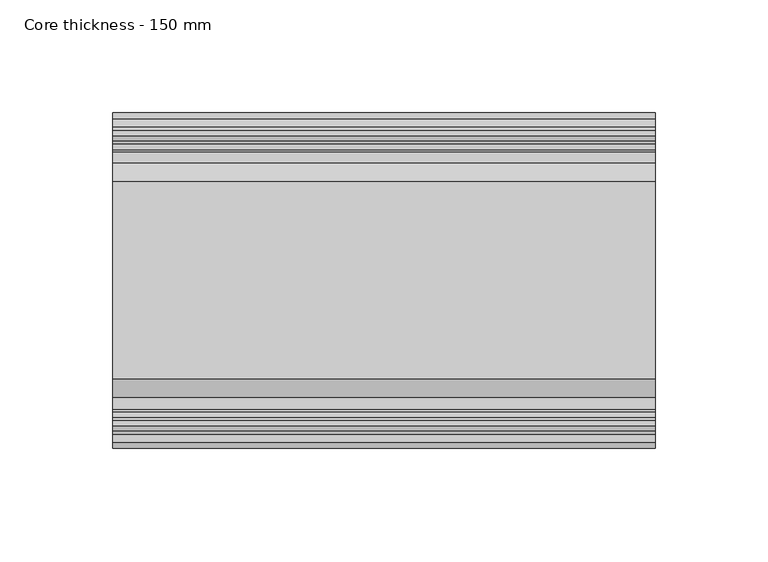
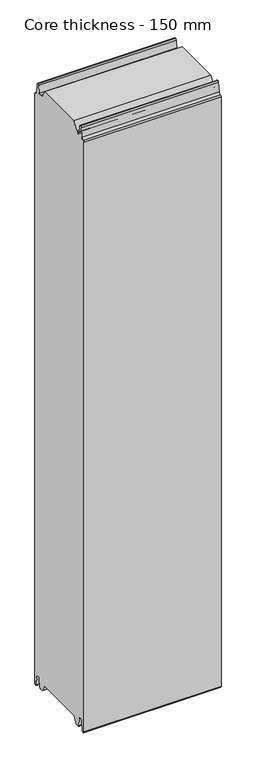
"""IFC4 building model written with IfcOpenShell, lengths in millimetres: plate geometry, Core thickness - 150 mm."""

from ifc_helpers import new_model, si_unit, frame, origin, place, context, project, spatial, polyline, circle_curve, source, transform, mapped, element, save
from ifc_brep_helpers import plane_surface, cylinder_surface, revolved_surface, advanced_brep


def core_thickness_150_mm_14a29951(model_context):
    return source(origin(), model_context, "Body", "AdvancedBrep", [
        advanced_brep(
        [(119.9999998, -119.873448, 15.0417681), (119.9999998, -30.126552, 15.0417681), (119.9999998, -23.4086055, 3.0684055), (119.9999998, -17.4169005, 3.0684055), (119.9999998, -19.6169005, 5.265779), (119.9999998, -18.8169005, 5.265779), (119.9999998, -16.0235822, 5.1291629), (119.9999998, -14.6379549, 19.2608832), (119.9999998, -10.8223285, 22.6899182), (119.9999998, -7.0067021, 19.2608832), (119.9999998, -5.3893281, 2.7656275), (119.9999998, -0.8003051, 2.9900682), (119.9999998, -0.8, 1093.8000005), (119.9999998, -3.3660185, 1096.1942726), (119.9999998, -6.8790665, 1099.1779769), (119.9999998, -8.5415667, 1116.1334653), (119.9999998, -10.8223285, 1118.1999998), (119.9999998, -13.1030903, 1116.1334653), (119.9999998, -14.4357929, 1102.5415123), (119.9999998, -17.0233841, 1100.1952279), (119.9999998, -18.1003051, 1100.1952279), (119.9999998, -18.7003051, 1099.5952279), (119.9999998, -18.7003051, 1098.4952279), (119.9999998, -19.5003051, 1098.4952279), (119.9999998, -19.5003051, 1099.5952279), (119.9999998, -18.1003051, 1100.9952279), (119.9999998, -19.5003051, 1100.9952279), (119.9999998, -23.1062917, 1100.9952279), (119.9999998, -31.1628062, 1115.044651), (119.9999998, -118.7531937, 1115.044651), (119.9999998, -126.8937083, 1100.9952279), (119.9999998, -130.4996949, 1100.9952279), (119.9999998, -131.8996949, 1100.9952279), (119.9999998, -130.4996949, 1099.5952279), (119.9999998, -130.4996949, 1098.4952279), (119.9999998, -131.2996949, 1098.4952279), (119.9999998, -131.2996949, 1099.5952279), (119.9999998, -131.8996949, 1100.1952279), (119.9999998, -132.9766159, 1100.1952279), (119.9999998, -135.5642071, 1102.5415123), (119.9999998, -136.8969097, 1116.1334653), (119.9999998, -139.1776715, 1118.1999998), (119.9999998, -141.4584333, 1116.1334653), (119.9999998, -143.1209335, 1099.1779769), (119.9999998, -146.6330399, 1096.2078763), (119.9999998, -149.1996949, 1093.8000005), (119.9999998, -149.2, 2.9900682), (119.9999998, -144.6106719, 2.7656275), (119.9999998, -142.9932979, 19.2608832), (119.9999998, -139.1776715, 22.6899182), (119.9999998, -135.3620451, 19.2608832), (119.9999998, -133.9764178, 5.1291629), (119.9999998, -131.1830995, 5.265779), (119.9999998, -130.3830995, 5.265779), (119.9999998, -132.5830995, 3.065779), (119.9999998, -126.5913945, 3.0684055), (-119.9999998, -126.8937083, 1100.9952279), (-119.9999998, -118.7531937, 1115.044651), (-119.9999998, -31.1628062, 1115.044651), (-119.9999998, -23.1062917, 1100.9952279), (-119.9999998, -19.5003051, 1100.9952279), (-119.9999998, -18.1003051, 1100.9952279), (-119.9999998, -19.5003051, 1099.5952279), (-119.9999998, -19.5003051, 1098.4952279), (-119.9999998, -18.7003051, 1098.4952279), (-119.9999998, -18.7003051, 1099.5952279), (-119.9999998, -18.1003051, 1100.1952279), (-119.9999998, -17.0233841, 1100.1952279), (-119.9999998, -14.4357929, 1102.5415123), (-119.9999998, -13.1030903, 1116.1334653), (-119.9999998, -10.8223285, 1118.1999998), (-119.9999998, -8.5415667, 1116.1334653), (-119.9999998, -6.8790665, 1099.1779769), (-119.9999998, -3.3669601, 1096.2078763), (-119.9999998, -0.8003051, 1093.8000005), (-119.9999998, -0.8, 2.9900682), (-119.9999998, -5.3893281, 2.7656275), (-119.9999998, -7.0067021, 19.2608832), (-119.9999998, -10.8223285, 22.6899182), (-119.9999998, -14.6379549, 19.2608832), (-119.9999998, -16.0235822, 5.1291629), (-119.9999998, -18.8169005, 5.265779), (-119.9999998, -19.6169005, 5.265779), (-119.9999998, -17.4169005, 3.065779), (-119.9999998, -23.4086055, 3.0684055), (-119.9999998, -30.126552, 15.0417681), (-119.9999998, -119.873448, 15.0417681), (-119.9999998, -126.5913945, 3.0684055), (-119.9999998, -132.5830995, 3.0684055), (-119.9999998, -130.3830995, 5.265779), (-119.9999998, -131.1830995, 5.265779), (-119.9999998, -133.9764178, 5.1291629), (-119.9999998, -135.3620451, 19.2608832), (-119.9999998, -139.1776715, 22.6899182), (-119.9999998, -142.9932979, 19.2608832), (-119.9999998, -144.6106719, 2.7656275), (-119.9999998, -149.1996949, 2.9900682), (-119.9999998, -149.2, 1093.8000005), (-119.9999998, -146.6339815, 1096.1942726), (-119.9999998, -143.1209335, 1099.1779769), (-119.9999998, -141.4584333, 1116.1334653), (-119.9999998, -139.1776715, 1118.1999998), (-119.9999998, -136.8969097, 1116.1334653), (-119.9999998, -135.5642071, 1102.5415123), (-119.9999998, -132.9766159, 1100.1952279), (-119.9999998, -131.8996949, 1100.1952279), (-119.9999998, -131.2996949, 1099.5952279), (-119.9999998, -131.2996949, 1098.4952279), (-119.9999998, -130.4996949, 1098.4952279), (-119.9999998, -130.4996949, 1099.5952279), (-119.9999998, -131.8996949, 1100.9952279), (-119.9999998, -130.4996949, 1100.9952279)],
        [
            (0, 1),
            (1, 2),
            (2, 3),
            (3, 4, circle_curve(frame((119.9999998, -17.4169005, 5.265779), z_axis=(-1.0, 0.0, 0.0), x_axis=(0.0, 0.0, -1.0)), 2.2)),
            (4, 5),
            (5, 6, circle_curve(frame((119.9999998, -17.4169005, 5.265779), z_axis=(1.0, 0.0, 0.0), x_axis=(0.0, 0.0, -1.0)), 1.4)),
            (6, 7),
            (7, 8, circle_curve(frame((119.9999998, -10.8560907, 18.8900682), z_axis=(-1.0, 0.0, 0.0), x_axis=(0.0, 0.0, -1.0)), 3.8)),
            (8, 9, circle_curve(frame((119.9999998, -10.7885662, 18.8900682), z_axis=(-1.0, 0.0, 0.0), x_axis=(0.0, 0.0, -1.0)), 3.8)),
            (9, 10),
            (10, 11, circle_curve(frame((119.9999998, -3.1003051, 2.9900682), z_axis=(1.0, 0.0, 0.0), x_axis=(0.0, 0.0, -1.0)), 2.3)),
            (11, 12),
            (12, 13, circle_curve(frame((119.9999998, -3.2003051, 1093.8000005), z_axis=(1.0, 0.0, 0.0), x_axis=(0.0, 0.0, -1.0)), 2.4)),
            (13, 14, circle_curve(frame((119.9999998, -3.5948161, 1099.5000005), z_axis=(-1.0, 0.0, 0.0), x_axis=(0.0, 0.0, -1.0)), 3.3)),
            (14, 15),
            (15, 16, circle_curve(frame((119.9999998, -10.8206374, 1115.9100005), z_axis=(1.0, 0.0, 0.0), x_axis=(0.0, 0.0, -1.0)), 2.29)),
            (16, 17, circle_curve(frame((119.9999998, -10.8240195, 1115.9100005), z_axis=(1.0, 0.0, 0.0), x_axis=(0.0, 0.0, -1.0)), 2.29)),
            (17, 18),
            (18, 19, circle_curve(frame((119.9999998, -17.0233841, 1102.7952279), z_axis=(-1.0, 0.0, 0.0), x_axis=(0.0, 0.0, -1.0)), 2.6)),
            (19, 20),
            (20, 21, circle_curve(frame((119.9999998, -18.1003051, 1099.5952279), z_axis=(1.0, 0.0, 0.0), x_axis=(0.0, 0.0, -1.0)), 0.6)),
            (21, 22),
            (22, 23),
            (23, 24),
            (24, 25, circle_curve(frame((119.9999998, -18.1003051, 1099.5952279), z_axis=(-1.0, 0.0, 0.0), x_axis=(0.0, 0.0, -1.0)), 1.4)),
            (25, 26),
            (26, 27),
            (27, 28),
            (28, 29),
            (29, 30),
            (30, 31),
            (31, 32),
            (32, 33, circle_curve(frame((119.9999998, -131.8996949, 1099.5952279), z_axis=(-1.0, 0.0, 0.0), x_axis=(0.0, 0.0, -1.0)), 1.4)),
            (33, 34),
            (34, 35),
            (35, 36),
            (36, 37, circle_curve(frame((119.9999998, -131.8996949, 1099.5952279), z_axis=(1.0, 0.0, 0.0), x_axis=(0.0, 0.0, -1.0)), 0.6)),
            (37, 38),
            (38, 39, circle_curve(frame((119.9999998, -132.9766159, 1102.7952279), z_axis=(-1.0, 0.0, 0.0), x_axis=(0.0, 0.0, -1.0)), 2.6)),
            (39, 40),
            (40, 41, circle_curve(frame((119.9999998, -139.1759805, 1115.9100005), z_axis=(1.0, 0.0, 0.0), x_axis=(0.0, 0.0, -1.0)), 2.29)),
            (41, 42, circle_curve(frame((119.9999998, -139.1793626, 1115.9100005), z_axis=(1.0, 0.0, 0.0), x_axis=(0.0, 0.0, -1.0)), 2.29)),
            (42, 43),
            (43, 44, circle_curve(frame((119.9999998, -146.4051839, 1099.5000005), z_axis=(-1.0, 0.0, 0.0), x_axis=(0.0, 0.0, -1.0)), 3.3)),
            (44, 45, circle_curve(frame((119.9999998, -146.7996949, 1093.8000005), z_axis=(1.0, 0.0, 0.0), x_axis=(0.0, 0.0, -1.0)), 2.4)),
            (45, 46),
            (46, 47, circle_curve(frame((119.9999998, -146.8996949, 2.9900682), z_axis=(1.0, 0.0, 0.0), x_axis=(0.0, 0.0, -1.0)), 2.3)),
            (47, 48),
            (48, 49, circle_curve(frame((119.9999998, -139.2114338, 18.8900682), z_axis=(-1.0, 0.0, 0.0), x_axis=(0.0, 0.0, -1.0)), 3.8)),
            (49, 50, circle_curve(frame((119.9999998, -139.1439093, 18.8900682), z_axis=(-1.0, 0.0, 0.0), x_axis=(0.0, 0.0, -1.0)), 3.8)),
            (50, 51),
            (51, 52, circle_curve(frame((119.9999998, -132.5830995, 5.265779), z_axis=(1.0, 0.0, 0.0), x_axis=(0.0, 0.0, -1.0)), 1.4)),
            (52, 53),
            (53, 54, circle_curve(frame((119.9999998, -132.5830995, 5.265779), z_axis=(-1.0, 0.0, 0.0), x_axis=(0.0, 0.0, -1.0)), 2.2)),
            (54, 55),
            (55, 0),
            (56, 57),
            (57, 58),
            (58, 59),
            (59, 60),
            (60, 61),
            (61, 62, circle_curve(frame((-119.9999998, -18.1003051, 1099.5952279), z_axis=(1.0, 0.0, 0.0), x_axis=(0.0, 0.0, -1.0)), 1.4)),
            (62, 63),
            (63, 64),
            (64, 65),
            (65, 66, circle_curve(frame((-119.9999998, -18.1003051, 1099.5952279), z_axis=(-1.0, 0.0, 0.0), x_axis=(0.0, 0.0, -1.0)), 0.6)),
            (66, 67),
            (67, 68, circle_curve(frame((-119.9999998, -17.0233841, 1102.7952279), z_axis=(1.0, 0.0, 0.0), x_axis=(0.0, 0.0, -1.0)), 2.6)),
            (68, 69),
            (69, 70, circle_curve(frame((-119.9999998, -10.8240195, 1115.9100005), z_axis=(-1.0, 0.0, 0.0), x_axis=(0.0, 0.0, -1.0)), 2.29)),
            (70, 71, circle_curve(frame((-119.9999998, -10.8206374, 1115.9100005), z_axis=(-1.0, 0.0, 0.0), x_axis=(0.0, 0.0, -1.0)), 2.29)),
            (71, 72),
            (72, 73, circle_curve(frame((-119.9999998, -3.5948161, 1099.5000005), z_axis=(1.0, 0.0, 0.0), x_axis=(0.0, 0.0, -1.0)), 3.3)),
            (73, 74, circle_curve(frame((-119.9999998, -3.2003051, 1093.8000005), z_axis=(-1.0, 0.0, 0.0), x_axis=(0.0, 0.0, -1.0)), 2.4)),
            (74, 75),
            (75, 76, circle_curve(frame((-119.9999998, -3.1003051, 2.9900682), z_axis=(-1.0, 0.0, 0.0), x_axis=(0.0, 0.0, -1.0)), 2.3)),
            (76, 77),
            (77, 78, circle_curve(frame((-119.9999998, -10.7885662, 18.8900682), z_axis=(1.0, 0.0, 0.0), x_axis=(0.0, 0.0, -1.0)), 3.8)),
            (78, 79, circle_curve(frame((-119.9999998, -10.8560907, 18.8900682), z_axis=(1.0, 0.0, 0.0), x_axis=(0.0, 0.0, -1.0)), 3.8)),
            (79, 80),
            (80, 81, circle_curve(frame((-119.9999998, -17.4169005, 5.265779), z_axis=(-1.0, 0.0, 0.0), x_axis=(0.0, 0.0, -1.0)), 1.4)),
            (81, 82),
            (82, 83, circle_curve(frame((-119.9999998, -17.4169005, 5.265779), z_axis=(1.0, 0.0, 0.0), x_axis=(0.0, 0.0, -1.0)), 2.2)),
            (83, 84),
            (84, 85),
            (85, 86),
            (86, 87),
            (87, 88),
            (88, 89, circle_curve(frame((-119.9999998, -132.5830995, 5.265779), z_axis=(1.0, 0.0, 0.0), x_axis=(0.0, 0.0, -1.0)), 2.2)),
            (89, 90),
            (90, 91, circle_curve(frame((-119.9999998, -132.5830995, 5.265779), z_axis=(-1.0, 0.0, 0.0), x_axis=(0.0, 0.0, -1.0)), 1.4)),
            (91, 92),
            (92, 93, circle_curve(frame((-119.9999998, -139.1439093, 18.8900682), z_axis=(1.0, 0.0, 0.0), x_axis=(0.0, 0.0, -1.0)), 3.8)),
            (93, 94, circle_curve(frame((-119.9999998, -139.2114338, 18.8900682), z_axis=(1.0, 0.0, 0.0), x_axis=(0.0, 0.0, -1.0)), 3.8)),
            (94, 95),
            (95, 96, circle_curve(frame((-119.9999998, -146.8996949, 2.9900682), z_axis=(-1.0, 0.0, 0.0), x_axis=(0.0, 0.0, -1.0)), 2.3)),
            (96, 97),
            (97, 98, circle_curve(frame((-119.9999998, -146.7996949, 1093.8000005), z_axis=(-1.0, 0.0, 0.0), x_axis=(0.0, 0.0, -1.0)), 2.4)),
            (98, 99, circle_curve(frame((-119.9999998, -146.4051839, 1099.5000005), z_axis=(1.0, 0.0, 0.0), x_axis=(0.0, 0.0, -1.0)), 3.3)),
            (99, 100),
            (100, 101, circle_curve(frame((-119.9999998, -139.1793626, 1115.9100005), z_axis=(-1.0, 0.0, 0.0), x_axis=(0.0, 0.0, -1.0)), 2.29)),
            (101, 102, circle_curve(frame((-119.9999998, -139.1759805, 1115.9100005), z_axis=(-1.0, 0.0, 0.0), x_axis=(0.0, 0.0, -1.0)), 2.29)),
            (102, 103),
            (103, 104, circle_curve(frame((-119.9999998, -132.9766159, 1102.7952279), z_axis=(1.0, 0.0, 0.0), x_axis=(0.0, 0.0, -1.0)), 2.6)),
            (104, 105),
            (105, 106, circle_curve(frame((-119.9999998, -131.8996949, 1099.5952279), z_axis=(-1.0, 0.0, 0.0), x_axis=(0.0, 0.0, -1.0)), 0.6)),
            (106, 107),
            (107, 108),
            (108, 109),
            (109, 110, circle_curve(frame((-119.9999998, -131.8996949, 1099.5952279), z_axis=(1.0, 0.0, 0.0), x_axis=(0.0, 0.0, -1.0)), 1.4)),
            (110, 111),
            (111, 56),
            (30, 56),
            (110, 32),
            (29, 57),
            (28, 58),
            (27, 59),
            (25, 61),
            (1, 85),
            (84, 2),
            (0, 86),
            (55, 87),
            (83, 3),
            (54, 88),
            (109, 33),
            (108, 34),
            (107, 35),
            (106, 36),
            (105, 37),
            (104, 38),
            (103, 39),
            (102, 40),
            (101, 41),
            (100, 42),
            (99, 43),
            (98, 44),
            (97, 45),
            (96, 46),
            (95, 47),
            (94, 48),
            (93, 49),
            (92, 50),
            (91, 51),
            (90, 52),
            (89, 53),
            (74, 12),
            (11, 75),
            (73, 13),
            (72, 14),
            (71, 15),
            (70, 16),
            (69, 17),
            (68, 18),
            (67, 19),
            (66, 20),
            (65, 21),
            (64, 22),
            (63, 23),
            (62, 24),
            (82, 4),
            (81, 5),
            (80, 6),
            (79, 7),
            (78, 8),
            (77, 9),
            (76, 10),
        ],
        [
            plane_surface(frame((119.9999998, 0.0, 0.0), z_axis=(1.0, 0.0, 0.0), x_axis=(0.0, -1.0, 0.0))),
            plane_surface(frame((-119.9999998, 0.0, 0.0), z_axis=(-1.0, 0.0, 0.0), x_axis=(0.0, -1.0, 0.0))),
            plane_surface(frame((119.9999998, -126.8937083, 1100.9952279), z_axis=(0.0, 0.0, 1.0), x_axis=(-1.0, 0.0, 0.0))),
            plane_surface(frame((119.9999998, -118.7531937, 1115.044651), z_axis=(0.0, -0.8652489672717164, 0.5013424225369607), x_axis=(-1.0, 0.0, 0.0))),
            plane_surface(frame((119.9999998, -31.1628062, 1115.044651), z_axis=(0.0, 0.0, 1.0), x_axis=(-1.0, 0.0, 0.0))),
            plane_surface(frame((119.9999998, -23.1062917, 1100.9952279), z_axis=(0.0, 0.8674901459133322, 0.4974543664933155), x_axis=(-1.0, 0.0, 0.0))),
            plane_surface(frame((119.9999998, -17.0229218, 1100.9952279), z_axis=(0.0, 0.0, 1.0), x_axis=(-1.0, 0.0, 0.0))),
            plane_surface(frame((119.9999998, -30.126552, 15.0417681), z_axis=(0.0, -0.8721062992196836, -0.4893164649399687), x_axis=(-1.0, 0.0, 0.0))),
            plane_surface(frame((119.9999998, -119.873448, 15.0417681), z_axis=(0.0, 0.0, -1.0), x_axis=(-1.0, 0.0, 0.0))),
            plane_surface(frame((119.9999998, -126.8190247, 2.6627014), z_axis=(0.0, 0.8721062992196852, -0.48931646493996606), x_axis=(-1.0, 0.0, 0.0))),
            plane_surface(frame((-119.9999998, -132.5830995, 3.0684055), z_axis=(0.0, 0.0, -1.0), x_axis=(1.0, 0.0, 0.0))),
            revolved_surface(polyline([(119.99999980000001, -131.8996949, 1098.1952279), (-119.99999980000001, -131.8996949, 1098.1952279)]), (249.9999998, -131.8996949, 1099.5952279), (1.0, 0.0, 0.0)),
            plane_surface(frame((249.9999998, -130.4996949, 1098.4952279), z_axis=(0.0, -1.0, 0.0), x_axis=(-1.0, 0.0, 0.0))),
            plane_surface(frame((249.9999998, -131.2996949, 1098.4952279), z_axis=(0.0, 0.0, 1.0), x_axis=(-1.0, 0.0, 0.0))),
            plane_surface(frame((249.9999998, -131.2996949, 1099.5952279), z_axis=(0.0, 1.0, 0.0), x_axis=(-1.0, 0.0, 0.0))),
            cylinder_surface(frame((249.9999998, -131.8996949, 1099.5952279), z_axis=(-1.0, 0.0, 0.0), x_axis=(0.0, 0.0, -1.0)), 0.6),
            plane_surface(frame((249.9999998, -132.9766159, 1100.1952279), z_axis=(0.0, 0.0, 1.0), x_axis=(-1.0, 0.0, 0.0))),
            revolved_surface(polyline([(119.99999980000001, -132.9766159, 1100.1952279000002), (-119.99999980000001, -132.9766159, 1100.1952279000002)]), (249.9999998, -132.9766159, 1102.7952279), (1.0, 0.0, 0.0)),
            plane_surface(frame((249.9999998, -136.8969097, 1116.1334653), z_axis=(0.0, 0.9952273999818314, 0.09758289975914705), x_axis=(-1.0, 0.0, 0.0))),
            cylinder_surface(frame((249.9999998, -139.1759805, 1115.9100005), z_axis=(-1.0, 0.0, 0.0), x_axis=(0.0, 0.0, -1.0)), 2.29),
            cylinder_surface(frame((249.9999998, -139.1793626, 1115.9100005), z_axis=(-1.0, 0.0, 0.0), x_axis=(0.0, 0.0, -1.0)), 2.29),
            plane_surface(frame((249.9999998, -143.1209335, 1099.1779769), z_axis=(0.0, -0.9952273999818317, 0.09758289975914436), x_axis=(-1.0, 0.0, 0.0))),
            revolved_surface(polyline([(119.99999980000001, -146.4051839, 1096.2000005), (-119.99999980000001, -146.4051839, 1096.2000005)]), (249.9999998, -146.4051839, 1099.5000005), (1.0, 0.0, 0.0)),
            cylinder_surface(frame((249.9999998, -146.7996949, 1093.8000005), z_axis=(-1.0, 0.0, 0.0), x_axis=(0.0, 0.0, -1.0)), 2.4),
            plane_surface(frame((249.9999998, -149.2, 2.9900682), z_axis=(0.0, -1.0, 0.0), x_axis=(-1.0, 0.0, 0.0))),
            cylinder_surface(frame((249.9999998, -146.8996949, 2.9900682), z_axis=(-1.0, 0.0, 0.0), x_axis=(0.0, 0.0, -1.0)), 2.3),
            plane_surface(frame((249.9999998, -142.9932979, 19.2608832), z_axis=(0.0, 0.9952273999818314, -0.09758289975914787), x_axis=(-1.0, 0.0, 0.0))),
            revolved_surface(polyline([(119.99999980000001, -139.2114338, 15.090068200000001), (-119.99999980000001, -139.2114338, 15.090068200000001)]), (249.9999998, -139.2114338, 18.8900682), (1.0, 0.0, 0.0)),
            revolved_surface(polyline([(119.99999980000001, -139.1439093, 15.090068200000001), (-119.99999980000001, -139.1439093, 15.090068200000001)]), (249.9999998, -139.1439093, 18.8900682), (1.0, 0.0, 0.0)),
            plane_surface(frame((249.9999998, -133.9764178, 5.1291629), z_axis=(0.0, -0.9952273999818297, -0.09758289975916531), x_axis=(-1.0, 0.0, 0.0))),
            cylinder_surface(frame((249.9999998, -132.5830995, 5.265779), z_axis=(-1.0, 0.0, 0.0), x_axis=(0.0, 0.0, -1.0)), 1.4),
            plane_surface(frame((249.9999998, -130.3830995, 5.265779), z_axis=(0.0, 0.0, -1.0), x_axis=(-1.0, 0.0, 0.0))),
            revolved_surface(polyline([(119.99999980000001, -132.5830995, 3.065779), (-119.99999980000001, -132.5830995, 3.065779)]), (249.9999998, -132.5830995, 5.265779), (1.0, 0.0, 0.0)),
            plane_surface(frame((249.9999998, -0.8, 1093.8000005), z_axis=(0.0, 1.0, 0.0), x_axis=(-1.0, 0.0, 0.0))),
            cylinder_surface(frame((249.9999998, -3.2003051, 1093.8000005), z_axis=(-1.0, 0.0, 0.0), x_axis=(0.0, 0.0, -1.0)), 2.4),
            revolved_surface(polyline([(119.99999980000001, -3.5948161, 1096.2000005), (-119.99999980000001, -3.5948161, 1096.2000005)]), (249.9999998, -3.5948161, 1099.5000005), (1.0, 0.0, 0.0)),
            plane_surface(frame((249.9999998, -8.5415667, 1116.1334653), z_axis=(0.0, 0.9952273999818317, 0.09758289975914436), x_axis=(-1.0, 0.0, 0.0))),
            cylinder_surface(frame((249.9999998, -10.8206374, 1115.9100005), z_axis=(-1.0, 0.0, 0.0), x_axis=(0.0, 0.0, -1.0)), 2.29),
            cylinder_surface(frame((249.9999998, -10.8240195, 1115.9100005), z_axis=(-1.0, 0.0, 0.0), x_axis=(0.0, 0.0, -1.0)), 2.29),
            plane_surface(frame((249.9999998, -14.4357929, 1102.5415123), z_axis=(0.0, -0.9952273999818314, 0.09758289975914705), x_axis=(-1.0, 0.0, 0.0))),
            revolved_surface(polyline([(119.99999980000001, -17.0233841, 1100.1952279000002), (-119.99999980000001, -17.0233841, 1100.1952279000002)]), (249.9999998, -17.0233841, 1102.7952279), (1.0, 0.0, 0.0)),
            plane_surface(frame((249.9999998, -18.1003051, 1100.1952279), z_axis=(0.0, 0.0, 1.0), x_axis=(-1.0, 0.0, 0.0))),
            cylinder_surface(frame((249.9999998, -18.1003051, 1099.5952279), z_axis=(-1.0, 0.0, 0.0), x_axis=(0.0, 0.0, -1.0)), 0.6),
            plane_surface(frame((249.9999998, -18.7003051, 1098.4952279), z_axis=(0.0, -1.0, 0.0), x_axis=(-1.0, 0.0, 0.0))),
            plane_surface(frame((249.9999998, -19.5003051, 1098.4952279), z_axis=(0.0, 0.0, 1.0), x_axis=(-1.0, 0.0, 0.0))),
            plane_surface(frame((249.9999998, -19.5003051, 1099.5952279), z_axis=(0.0, 1.0, 0.0), x_axis=(-1.0, 0.0, 0.0))),
            revolved_surface(polyline([(119.99999980000001, -18.1003051, 1098.1952279), (-119.99999980000001, -18.1003051, 1098.1952279)]), (249.9999998, -18.1003051, 1099.5952279), (1.0, 0.0, 0.0)),
            revolved_surface(polyline([(119.99999980000001, -17.4169005, 3.065779), (-119.99999980000001, -17.4169005, 3.065779)]), (249.9999998, -17.4169005, 5.265779), (1.0, 0.0, 0.0)),
            plane_surface(frame((249.9999998, -18.8169005, 5.265779), z_axis=(0.0, 0.0, -1.0), x_axis=(-1.0, 0.0, 0.0))),
            cylinder_surface(frame((249.9999998, -17.4169005, 5.265779), z_axis=(-1.0, 0.0, 0.0), x_axis=(0.0, 0.0, -1.0)), 1.4),
            plane_surface(frame((249.9999998, -14.6379549, 19.2608832), z_axis=(0.0, 0.9952273999818297, -0.09758289975916531), x_axis=(-1.0, 0.0, 0.0))),
            revolved_surface(polyline([(119.99999980000001, -10.8560907, 15.090068200000001), (-119.99999980000001, -10.8560907, 15.090068200000001)]), (249.9999998, -10.8560907, 18.8900682), (1.0, 0.0, 0.0)),
            revolved_surface(polyline([(119.99999980000001, -10.7885662, 15.090068200000001), (-119.99999980000001, -10.7885662, 15.090068200000001)]), (249.9999998, -10.7885662, 18.8900682), (1.0, 0.0, 0.0)),
            plane_surface(frame((249.9999998, -5.3893281, 2.7656275), z_axis=(0.0, -0.9952273999818314, -0.09758289975914787), x_axis=(-1.0, 0.0, 0.0))),
            cylinder_surface(frame((249.9999998, -3.1003051, 2.9900682), z_axis=(-1.0, 0.0, 0.0), x_axis=(0.0, 0.0, -1.0)), 2.3),
        ],
        [
            (0, [[1, 2, 3, 4, 5, 6, 7, 8, 9, 10, 11, 12, 13, 14, 15, 16, 17, 18, 19, 20, 21, 22, 23, 24, 25, 26, 27, 28, 29, 30, 31, 32, 33, 34, 35, 36, 37, 38, 39, 40, 41, 42, 43, 44, 45, 46, 47, 48, 49, 50, 51, 52, 53, 54, 55, 56]]),
            (1, [[57, 58, 59, 60, 61, 62, 63, 64, 65, 66, 67, 68, 69, 70, 71, 72, 73, 74, 75, 76, 77, 78, 79, 80, 81, 82, 83, 84, 85, 86, 87, 88, 89, 90, 91, 92, 93, 94, 95, 96, 97, 98, 99, 100, 101, 102, 103, 104, 105, 106, 107, 108, 109, 110, 111, 112]]),
            (2, [[113, -112, -111, 114, -32, -31]]),
            (3, [[-30, 115, -57, -113]]),
            (4, [[-29, 116, -58, -115]]),
            (5, [[-28, 117, -59, -116]]),
            (6, [[-117, -27, -26, 118, -61, -60]]),
            (7, [[119, -85, 120, -2]]),
            (8, [[-1, 121, -86, -119]]),
            (9, [[-121, -56, 122, -87]]),
            (10, [[-3, -120, -84, 123]]),
            (10, [[-55, 124, -88, -122]]),
            (11, [[125, -33, -114, -110]]),
            (12, [[-125, -109, 126, -34]]),
            (13, [[-126, -108, 127, -35]]),
            (14, [[-127, -107, 128, -36]]),
            (15, [[-128, -106, 129, -37]]),
            (16, [[-129, -105, 130, -38]]),
            (17, [[-130, -104, 131, -39]]),
            (18, [[-131, -103, 132, -40]]),
            (19, [[-132, -102, 133, -41]]),
            (20, [[-133, -101, 134, -42]]),
            (21, [[-134, -100, 135, -43]]),
            (22, [[-135, -99, 136, -44]]),
            (23, [[-136, -98, 137, -45]]),
            (24, [[-137, -97, 138, -46]]),
            (25, [[-138, -96, 139, -47]]),
            (26, [[-139, -95, 140, -48]]),
            (27, [[-140, -94, 141, -49]]),
            (28, [[-141, -93, 142, -50]]),
            (29, [[-142, -92, 143, -51]]),
            (30, [[-143, -91, 144, -52]]),
            (31, [[-144, -90, 145, -53]]),
            (32, [[-145, -89, -124, -54]]),
            (33, [[146, -12, 147, -75]]),
            (34, [[-146, -74, 148, -13]]),
            (35, [[-148, -73, 149, -14]]),
            (36, [[-149, -72, 150, -15]]),
            (37, [[-150, -71, 151, -16]]),
            (38, [[-151, -70, 152, -17]]),
            (39, [[-152, -69, 153, -18]]),
            (40, [[-153, -68, 154, -19]]),
            (41, [[-154, -67, 155, -20]]),
            (42, [[-155, -66, 156, -21]]),
            (43, [[-156, -65, 157, -22]]),
            (44, [[-157, -64, 158, -23]]),
            (45, [[-158, -63, 159, -24]]),
            (46, [[-159, -62, -118, -25]]),
            (47, [[160, -4, -123, -83]]),
            (48, [[-160, -82, 161, -5]]),
            (49, [[-161, -81, 162, -6]]),
            (50, [[-162, -80, 163, -7]]),
            (51, [[-163, -79, 164, -8]]),
            (52, [[-164, -78, 165, -9]]),
            (53, [[-165, -77, 166, -10]]),
            (54, [[-166, -76, -147, -11]]),
        ],
    ),
    ])


if __name__ == "__main__":
    model = new_model("IFC4")
    model_context = context("Model", 3, world=origin())
    ifc_project = project(units=[si_unit("LENGTHUNIT", "METRE", prefix="MILLI")], contexts=[model_context])
    site = spatial("IfcSite", under=ifc_project)
    building = spatial("IfcBuilding", under=site)
    placement = place(None, origin())
    core_thickness_150_mm_shape = core_thickness_150_mm_14a29951(model_context)
    element("IfcPlate", 1, ObjectType="Core thickness - 150 mm", at=placement, inside=building, context=model_context, shape_type="MappedRepresentation", body=[
        mapped(core_thickness_150_mm_shape, transform((0.0, 0.0, 0.0), x_axis=(1.0, 0.0, 0.0), y_axis=(0.0, 1.0, 0.0), z_axis=(0.0, 0.0, 1.0))),
    ])
    save(model, "model.ifc")
